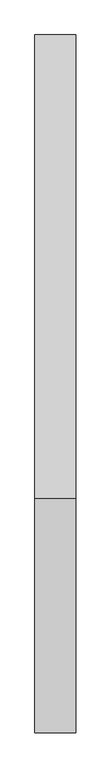
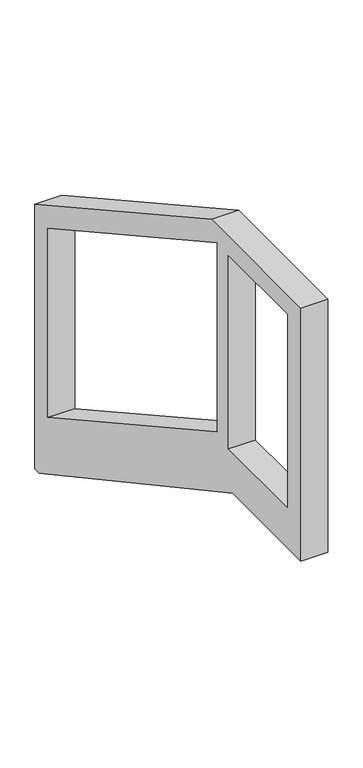
"""IFC4 building model written with IfcOpenShell, lengths in millimetres: railing geometry."""

from ifc_helpers import new_model, si_unit, frame, origin, place, context, project, spatial, polyline, outline, extrude, source, transform, mapped, element, save


def railing_fd2f571d(model_context):
    return source(origin(), model_context, "Body", "SweptSolid", [
        extrude(outline(polyline([(118015.5375648, 11376.0315842), (118015.5375648, 10329.9850633), (117986.5615232, 10329.9850633), (116734.966792, 11009.8636828), (116292.0929476, 11009.8636828), (116292.0929476, 12010.5326012), (116870.8674294, 12010.5326012), (118015.5375648, 11376.0315842)]), holes=[polyline([(116837.3136728, 11190.5030055), (117932.0059556, 10583.7051645), (117932.0059556, 11332.1566851), (116837.3136728, 11938.954526), (116837.3136728, 11190.5030055)]), polyline([(116381.6796148, 11168.6580569), (116761.9282934, 11168.6580569), (116761.9282934, 11932.0772616), (116381.6796148, 11932.0772616), (116381.6796148, 11168.6580569)])]), frame((2542.6546655, 0.0, 0.0), z_axis=(1.0, 0.0, 0.0), x_axis=(0.0, 1.0, 0.0)), (0.0, 0.0, 1.0), 100.642217),
    ])


if __name__ == "__main__":
    model = new_model("IFC4")
    model_context = context("Model", 3, world=origin())
    ifc_project = project(units=[si_unit("LENGTHUNIT", "METRE", prefix="MILLI")], contexts=[model_context])
    site = spatial("IfcSite", under=ifc_project)
    building = spatial("IfcBuilding", under=site)
    placement = place(None, origin())
    railing_shape = railing_fd2f571d(model_context)
    element("IfcRailing", 1, at=placement, inside=building, context=model_context, shape_type="MappedRepresentation", body=[
        mapped(railing_shape, transform((0.0, 0.0, 0.0), x_axis=(1.0, 0.0, 0.0), y_axis=(0.0, 1.0, 0.0), z_axis=(0.0, 0.0, 1.0))),
    ])
    save(model, "model.ifc")
